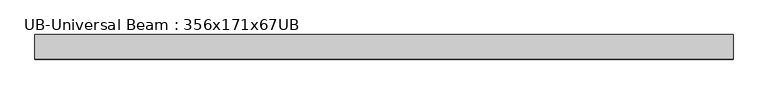
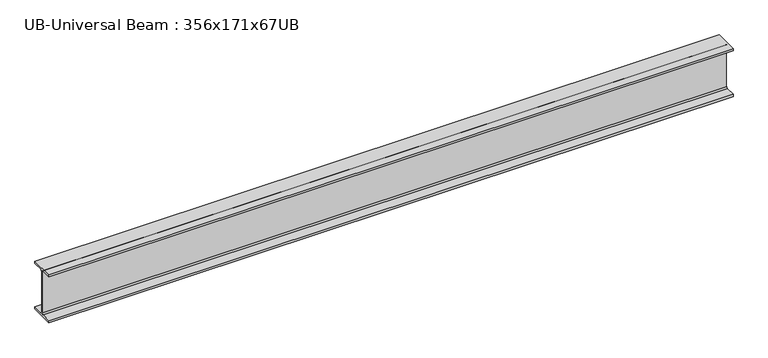
"""IFC4 building model written with IfcOpenShell, lengths in millimetres: beam geometry, UB-Universal Beam : 356x171x67UB."""

from ifc_helpers import new_model, si_unit, point, frame, frame_2d, origin, place, context, project, spatial, polyline, circle_curve, trimmed, segment, composite_curve, outline, extrude, source, transform, mapped, element, save


def ub_universal_beam_356x171x67ub_974e3ba6(model_context):
    return source(origin(), model_context, "Body", "SweptSolid", [
        extrude(outline(composite_curve([segment(polyline([(86.6, -166.0), (86.6, -181.7), (-86.6, -181.7), (-86.6, -166.0), (-14.75, -166.0)]), True, "CONTINUOUS"), segment(trimmed(circle_curve(frame_2d((-14.75, -155.8)), 10.2), [point((-14.75, -166.0))], [point((-4.55, -155.8))], True, "CARTESIAN"), True, "CONTINUOUS"), segment(polyline([(-4.55, -155.8), (-4.55, 155.8)]), True, "CONTINUOUS"), segment(trimmed(circle_curve(frame_2d((-14.75, 155.8)), 10.2), [point((-4.55, 155.8))], [point((-14.75, 166.0))], True, "CARTESIAN"), True, "CONTINUOUS"), segment(polyline([(-14.75, 166.0), (-86.6, 166.0), (-86.6, 181.7), (86.6, 181.7), (86.6, 166.0), (14.75, 166.0)]), True, "CONTINUOUS"), segment(trimmed(circle_curve(frame_2d((14.75, 155.8)), 10.2), [point((14.75, 166.0))], [point((4.55, 155.8))], True, "CARTESIAN"), True, "CONTINUOUS"), segment(polyline([(4.55, 155.8), (4.55, -155.8)]), True, "CONTINUOUS"), segment(trimmed(circle_curve(frame_2d((14.75, -155.8)), 10.2), [point((4.55, -155.8))], [point((14.75, -166.0))], True, "CARTESIAN"), True, "CONTINUOUS"), segment(polyline([(14.75, -166.0), (86.6, -166.0)]), True, "CONTINUOUS")], self_intersect=False)), frame((-2469.586329, 0.0, 0.0), z_axis=(1.0, 0.0, 0.0), x_axis=(0.0, 1.0, 0.0)), (0.0, 0.0, 1.0), 4918.0422633),
    ])


if __name__ == "__main__":
    model = new_model("IFC4")
    model_context = context("Model", 3, world=origin())
    ifc_project = project(units=[si_unit("LENGTHUNIT", "METRE", prefix="MILLI")], contexts=[model_context])
    site = spatial("IfcSite", under=ifc_project)
    building = spatial("IfcBuilding", under=site)
    placement = place(None, origin())
    ub_universal_beam_356x171x67ub_shape = ub_universal_beam_356x171x67ub_974e3ba6(model_context)
    element("IfcBeam", 1, ObjectType="UB-Universal Beam : 356x171x67UB", at=placement, inside=building, context=model_context, shape_type="MappedRepresentation", body=[
        mapped(ub_universal_beam_356x171x67ub_shape, transform((0.0, 0.0, 0.0), x_axis=(1.0, 0.0, 0.0), y_axis=(0.0, 1.0, 0.0), z_axis=(0.0, 0.0, 1.0))),
    ])
    save(model, "model.ifc")
